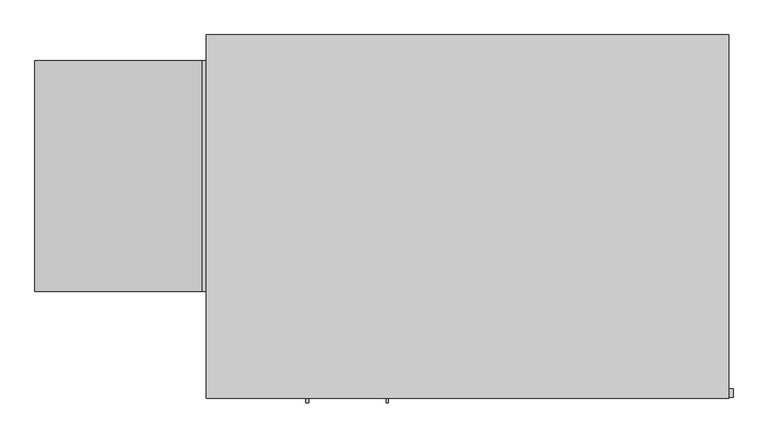
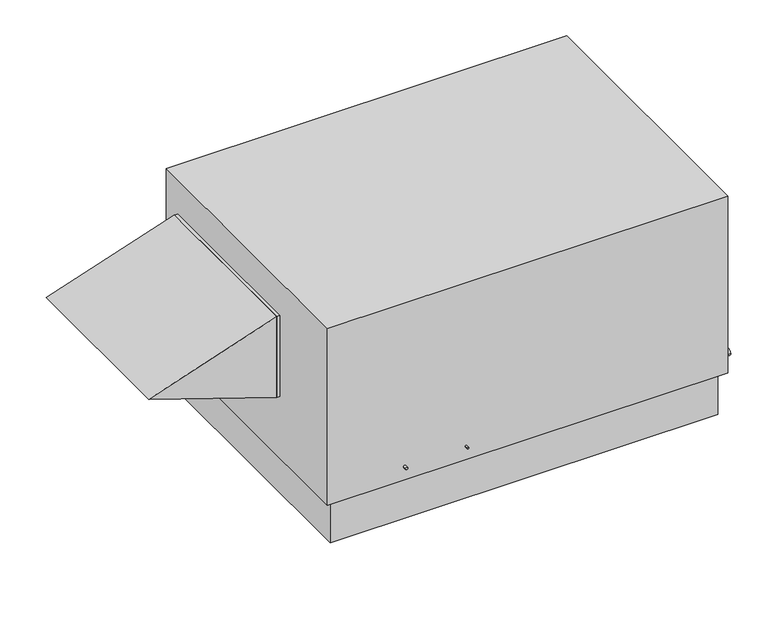
"""IFC4 building model written with IfcOpenShell, lengths in millimetres: proxy geometry."""

import ifcopenshell
import ifcopenshell.guid

model = None  # the IFC model being written
_history = None  # IfcOwnerHistory: only IFC2X3 demands one
_inside = {}  # id of a spatial element -> (the spatial element, [elements in it])
_under = {}  # id of a project, library or spatial element -> (it, [spatial elements below it])
_declared = {}  # id of a project -> (the project, [libraries it declares])
_typed = {}  # id of a type object -> (the type object, [elements of that type])
_made_of = {}  # id of a material, layer set ... -> (it, [elements and type objects made of it])


def new_model(schema):
    """Start an empty IFC model of exactly this schema.

    Asked for "IFC4X3", IfcOpenShell would pick the latest addendum, in which some entities
    have other attributes; the version numbers below select the first issue.
    IFC2X3 requires an IfcOwnerHistory on every rooted entity: one is made here for all.
    """
    global model, _history
    if schema == "IFC4X3":
        model = ifcopenshell.file(schema_version=(4, 3, 0, 0))
    else:
        model = ifcopenshell.file(schema=schema)
    _inside.clear()
    _under.clear()
    _declared.clear()
    _typed.clear()
    _made_of.clear()
    _history = None
    if model.schema == "IFC2X3":
        org = make("IfcOrganization", Name="unknown")
        user = make(
            "IfcPersonAndOrganization",
            ThePerson=make("IfcPerson", FamilyName="unknown"),
            TheOrganization=org,
        )
        app = make(
            "IfcApplication",
            ApplicationDeveloper=org,
            Version="unknown",
            ApplicationFullName="unknown",
            ApplicationIdentifier="unknown",
        )
        _history = make(
            "IfcOwnerHistory",
            OwningUser=user,
            OwningApplication=app,
            ChangeAction="ADDED",
            CreationDate=0,
        )
    return model


def make(cls, **values):
    """One entity of the class cls with the attributes given. An attribute that is None is left unset."""
    return model.create_entity(
        cls, **{name: value for name, value in values.items() if value is not None}
    )


def rooted(cls, **values):
    """An entity with a GlobalId (a new one), such as an element, a storey or a relation."""
    return make(cls, GlobalId=ifcopenshell.guid.new(), OwnerHistory=_history, **values)


def si_unit(unit_type, name, prefix=None):
    """IfcSIUnit, for example si_unit("LENGTHUNIT", "METRE", prefix="MILLI")."""
    return make("IfcSIUnit", UnitType=unit_type, Prefix=prefix, Name=name)


def assignment(units):
    """IfcUnitAssignment: the units of a project."""
    return None if units is None else make("IfcUnitAssignment", Units=units)


def point(xyz):
    """IfcCartesianPoint."""
    return None if xyz is None else make("IfcCartesianPoint", Coordinates=xyz)


def direction(xyz):
    """IfcDirection."""
    return None if xyz is None else make("IfcDirection", DirectionRatios=xyz)


def frame(location, z_axis=None, x_axis=None):
    """IfcAxis2Placement3D, a coordinate frame: its origin and axes. An axis left out is left unset."""
    return make(
        "IfcAxis2Placement3D",
        Location=point(location),
        Axis=direction(z_axis),
        RefDirection=direction(x_axis),
    )


def origin():
    """The frame at (0, 0, 0) with its axes left unset."""
    return frame((0.0, 0.0, 0.0))


def place(relative_to, where):
    """IfcLocalPlacement: puts the frame where relative to a parent placement (None: the world)."""
    return make(
        "IfcLocalPlacement", PlacementRelTo=relative_to, RelativePlacement=where
    )


def context(
    kind, dimensions, precision=None, world=None, true_north=None, identifier=None
):
    """IfcGeometricRepresentationContext, for example the 3D "Model" context."""
    return make(
        "IfcGeometricRepresentationContext",
        ContextIdentifier=identifier,
        ContextType=kind,
        CoordinateSpaceDimension=dimensions,
        Precision=precision,
        WorldCoordinateSystem=world,
        TrueNorth=true_north,
    )


def project(units=None, contexts=None):
    """IfcProject with its units and contexts."""
    return rooted(
        "IfcProject",
        Name="project",
        RepresentationContexts=contexts,
        UnitsInContext=assignment(units),
    )


def spatial(cls, under=None, at=None, **own):
    """A site, building, storey or space (cls), placed at a placement, below another one or the project."""
    s = rooted(cls, ObjectPlacement=at, **own)
    if under is not None:
        _under.setdefault(under.id(), (under, []))[1].append(s)
    return s


def polyline(points):
    """IfcPolyline through the points."""
    return make("IfcPolyline", Points=[point(p) for p in points])


def circle_curve(where, radius):
    """IfcCircle in the frame where."""
    return make("IfcCircle", Position=where, Radius=radius)


def outline(outer, holes=None, kind="AREA"):
    """IfcArbitraryClosedProfileDef: a profile drawn as a closed curve; with holes, ...WithVoids."""
    if holes is None:
        return make("IfcArbitraryClosedProfileDef", ProfileType=kind, OuterCurve=outer)
    return make(
        "IfcArbitraryProfileDefWithVoids",
        ProfileType=kind,
        OuterCurve=outer,
        InnerCurves=holes,
    )


def extrude(swept, where, along, depth):
    """IfcExtrudedAreaSolid: the profile swept, set in the frame where, extruded along a direction by depth."""
    return make(
        "IfcExtrudedAreaSolid",
        SweptArea=swept,
        Position=where,
        ExtrudedDirection=direction(along),
        Depth=depth,
    )


def shape(context_of_items, identifier, shape_type, items):
    """IfcShapeRepresentation: the items that make up one representation, for example the "Body"."""
    return make(
        "IfcShapeRepresentation",
        ContextOfItems=context_of_items,
        RepresentationIdentifier=identifier,
        RepresentationType=shape_type,
        Items=items,
    )


def source(mapping_origin, context_of_items, identifier, shape_type, items):
    """IfcRepresentationMap: a shape defined once, which mapped items show again and again."""
    return make(
        "IfcRepresentationMap",
        MappingOrigin=mapping_origin,
        MappedRepresentation=shape(context_of_items, identifier, shape_type, items),
    )


def transform(
    local_origin,
    x_axis=None,
    y_axis=None,
    z_axis=None,
    scale=None,
    scale2=None,
    scale3=None,
    uniform=True,
):
    """IfcCartesianTransformationOperator3D, or its non-uniform kind. x_axis, y_axis, z_axis: its Axis1, 2, 3."""
    if uniform:
        return make(
            "IfcCartesianTransformationOperator3D",
            Axis1=direction(x_axis),
            Axis2=direction(y_axis),
            LocalOrigin=point(local_origin),
            Scale=scale,
            Axis3=direction(z_axis),
        )
    return make(
        "IfcCartesianTransformationOperator3DnonUniform",
        Axis1=direction(x_axis),
        Axis2=direction(y_axis),
        LocalOrigin=point(local_origin),
        Scale=scale,
        Axis3=direction(z_axis),
        Scale2=scale2,
        Scale3=scale3,
    )


def mapped(mapping_source, mapping_target):
    """IfcMappedItem: shows the shape of a source again, moved by a transform."""
    return make(
        "IfcMappedItem", MappingSource=mapping_source, MappingTarget=mapping_target
    )


def made_of(thing, what):
    """Note that an element or type object is made of a material, layer set ...; save() writes the relation."""
    if what is not None:
        _made_of.setdefault(what.id(), (what, []))[1].append(thing)
    return thing


def element(
    cls,
    number,
    at=None,
    inside=None,
    cuts=None,
    type_object=None,
    material=None,
    context=None,
    identifier="Body",
    shape_type=None,
    held_by="IfcProductDefinitionShape",
    body=None,
    shapes=None,
    **own,
):
    """One element of the class cls, such as IfcWall. Its Tag is "e" and its number.

    at: its placement. inside: the storey or other place that contains it. cuts: it is an
    opening in that element (IfcRelVoidsElement). A single representation is given by context,
    identifier, shape_type and body (its items); several are given by shapes. held_by: the class
    of the entity that holds the representations. save() writes the other relations.
    """
    e = rooted(cls, Tag="e%d" % number, ObjectPlacement=at, **own)
    if body is not None:
        shapes = [shape(context, identifier, shape_type, body)]
    if shapes is not None:
        e.Representation = make(held_by, Representations=shapes)
    if inside is not None:
        _inside.setdefault(inside.id(), (inside, []))[1].append(e)
    if cuts is not None:
        rooted(
            "IfcRelVoidsElement", RelatingBuildingElement=cuts, RelatedOpeningElement=e
        )
    if type_object is not None:
        _typed.setdefault(type_object.id(), (type_object, []))[1].append(e)
    return made_of(e, material)


def aggregate(whole, parts):
    """IfcRelAggregates: a whole, such as a stair, and the parts it consists of."""
    return rooted("IfcRelAggregates", RelatingObject=whole, RelatedObjects=parts)


def save(model, path):
    """Write the relations noted so far, then the file.

    IfcRelAggregates (storeys below a building ...), IfcRelContainedInSpatialStructure (elements
    in a storey), IfcRelDefinesByType, IfcRelAssociatesMaterial and IfcRelDeclares: one each for
    every whole, place, type object, material and project.
    """
    for whole, parts in _under.values():
        aggregate(whole, parts)
    for where, things in _inside.values():
        rooted(
            "IfcRelContainedInSpatialStructure",
            RelatedElements=things,
            RelatingStructure=where,
        )
    for kind, things in _typed.values():
        rooted("IfcRelDefinesByType", RelatedObjects=things, RelatingType=kind)
    for what, things in _made_of.values():
        rooted("IfcRelAssociatesMaterial", RelatedObjects=things, RelatingMaterial=what)
    for by, libraries in _declared.values():
        rooted("IfcRelDeclares", RelatingContext=by, RelatedDefinitions=libraries)
    model.write(path)


def plane_surface(at):
    """IfcPlane: the flat surface through the origin of the frame at, square to its z axis."""
    return make("IfcPlane", Position=at)


def cylinder_surface(at, radius):
    """IfcCylindricalSurface: all points at the distance radius from the z axis of the frame at."""
    return make("IfcCylindricalSurface", Position=at, Radius=radius)


def advanced_brep(points, edges, surfaces, faces):
    """IfcAdvancedBrep: a solid bounded by faces that lie on surfaces and meet in shared edges.

    An edge is (start, end): straight between two places in points (the first is 0);
    or (start, end, curve); or (start, end, curve, False) where it runs against its curve.
    A face is (place in surfaces, loops), or (place, loops, False) where it looks against
    its surface's normal. A loop lists edges by number (the first is 1), with a minus sign
    where the edge is run from its end to its start. The first loop is the outer one.
    """
    corners = [point(p) for p in points]
    vertices = [make("IfcVertexPoint", VertexGeometry=c) for c in corners]
    made = []
    for start, end, *more in edges:
        made.append(
            make(
                "IfcEdgeCurve",
                EdgeStart=vertices[start],
                EdgeEnd=vertices[end],
                EdgeGeometry=more[0] if more else make("IfcPolyline", Points=[corners[start], corners[end]]),
                SameSense=more[1] if len(more) > 1 else True,
            )
        )
    hull = []
    for where, loops, *sense in faces:
        bounds = []
        for j, loop in enumerate(loops):
            ring = [make("IfcOrientedEdge", EdgeElement=made[abs(k) - 1], Orientation=k > 0) for k in loop]
            bounds.append(
                make(
                    "IfcFaceOuterBound" if j == 0 else "IfcFaceBound",
                    Bound=make("IfcEdgeLoop", EdgeList=ring),
                    Orientation=True,
                )
            )
        hull.append(make("IfcAdvancedFace", Bounds=bounds, FaceSurface=surfaces[where], SameSense=sense[0] if sense else True))
    return make("IfcAdvancedBrep", Outer=make("IfcClosedShell", CfsFaces=hull))


def mechanical_equipment_34facc8f(model_context):
    return source(origin(), model_context, "Body", "SolidModel", [
        extrude(outline(polyline([(508.0, -3124.2), (1168.4, -3124.2), (838.2, -4114.8), (508.0, -3124.2)])), frame((0.0, 635.0, 0.0), z_axis=(0.0, 1.0, 0.0), x_axis=(0.0, 0.0, 1.0)), (0.0, 0.0, 1.0), 1371.6),
        extrude(outline(polyline([(-3124.2, 635.0), (-3124.2, 2006.6), (-3098.8, 2006.6), (-3098.8, 635.0), (-3124.2, 635.0)])), frame((0.0, 0.0, 508.0), z_axis=(0.0, 0.0, 1.0), x_axis=(1.0, 0.0, 0.0)), (0.0, 0.0, 1.0), 660.4),
        extrude(outline(polyline([(-50.8, 2108.2), (-50.8, 50.8), (-3048.0, 50.8), (-3048.0, 2108.2), (-50.8, 2108.2)])), frame((0.0, 0.0, -355.6), z_axis=(0.0, 0.0, 1.0), x_axis=(1.0, 0.0, 0.0)), (0.0, 0.0, 1.0), 355.6),
        advanced_brep(
        [(0.0, 2159.0, 1447.8), (-3098.8, 2159.0, 1447.8), (-3098.8, 0.0, 1447.8), (0.0, 0.0, 1447.8), (0.0, 2159.0, 0.0), (0.0, 0.0, 0.0), (-3098.8, 0.0, 0.0), (-3098.8, 2159.0, 0.0), (-2438.4, 2057.4, 0.0), (-2997.2, 2057.4, 0.0), (-2997.2, 76.2, 0.0), (-2438.4, 76.2, 0.0), (-1041.4, 2057.4, 0.0), (-1752.6, 2057.4, 0.0), (-1752.6, 279.4, 0.0), (-1041.4, 279.4, 0.0), (-2019.3, 0.0, 107.95), (-2032.0, 0.0, 107.95), (-2490.7875, 0.0, 107.95), (-2509.8375, 0.0, 107.95), (0.0, 58.7375, 142.875), (0.0, 7.9375, 142.875), (-2438.4, 2057.4, 107.95), (-2438.4, 76.2, 107.95), (-2997.2, 76.2, 107.95), (-2997.2, 2057.4, 107.95), (-1041.4, 2057.4, 107.95), (-1041.4, 279.4, 107.95), (-1752.6, 279.4, 107.95), (-1752.6, 2057.4, 107.95), (-2032.0, -25.5724411, 107.95), (-2019.3, -25.5724411, 107.95), (25.4, 7.9375, 142.875), (25.4, 58.7375, 142.875), (-2509.8375, -25.5724411, 107.95), (-2490.7875, -25.5724411, 107.95)],
        [
            (0, 1),
            (1, 2),
            (2, 3),
            (3, 0),
            (4, 5),
            (5, 6),
            (6, 7),
            (7, 4),
            (8, 9),
            (9, 10),
            (10, 11),
            (11, 8),
            (12, 13),
            (13, 14),
            (14, 15),
            (15, 12),
            (0, 4),
            (7, 1),
            (6, 2),
            (5, 3),
            (16, 17, circle_curve(frame((-2025.65, 0.0, 107.95), z_axis=(0.0, 1.0, 0.0), x_axis=(1.0, 0.0, 0.0)), 6.35)),
            (17, 16, circle_curve(frame((-2025.65, 0.0, 107.95), z_axis=(0.0, 1.0, 0.0), x_axis=(1.0, 0.0, 0.0)), 6.35)),
            (18, 19, circle_curve(frame((-2500.3125, 0.0, 107.95), z_axis=(0.0, 1.0, 0.0), x_axis=(1.0, 0.0, 0.0)), 9.525)),
            (19, 18, circle_curve(frame((-2500.3125, 0.0, 107.95), z_axis=(0.0, 1.0, 0.0), x_axis=(1.0, 0.0, 0.0)), 9.525)),
            (20, 21, circle_curve(frame((0.0, 33.3375, 142.875), z_axis=(-1.0, 0.0, 0.0), x_axis=(0.0, 1.0, 0.0)), 25.4)),
            (21, 20, circle_curve(frame((0.0, 33.3375, 142.875), z_axis=(-1.0, 0.0, 0.0), x_axis=(0.0, 1.0, 0.0)), 25.4)),
            (22, 23),
            (23, 24),
            (24, 25),
            (25, 22),
            (26, 27),
            (27, 28),
            (28, 29),
            (29, 26),
            (25, 9),
            (8, 22),
            (24, 10),
            (23, 11),
            (29, 13),
            (12, 26),
            (28, 14),
            (27, 15),
            (30, 31, circle_curve(frame((-2025.65, -25.5724411, 107.95), z_axis=(0.0, -1.0, 0.0), x_axis=(1.0, 0.0, 0.0)), 6.35)),
            (31, 30, circle_curve(frame((-2025.65, -25.5724411, 107.95), z_axis=(0.0, -1.0, 0.0), x_axis=(1.0, 0.0, 0.0)), 6.35)),
            (30, 17),
            (16, 31),
            (32, 33, circle_curve(frame((25.4, 33.3375, 142.875), z_axis=(1.0, 0.0, 0.0), x_axis=(0.0, 1.0, 0.0)), 25.4)),
            (33, 32, circle_curve(frame((25.4, 33.3375, 142.875), z_axis=(1.0, 0.0, 0.0), x_axis=(0.0, 1.0, 0.0)), 25.4)),
            (32, 21),
            (20, 33),
            (34, 35, circle_curve(frame((-2500.3125, -25.5724411, 107.95), z_axis=(0.0, -1.0, 0.0), x_axis=(1.0, 0.0, 0.0)), 9.525)),
            (35, 34, circle_curve(frame((-2500.3125, -25.5724411, 107.95), z_axis=(0.0, -1.0, 0.0), x_axis=(1.0, 0.0, 0.0)), 9.525)),
            (34, 19),
            (18, 35),
        ],
        [
            plane_surface(frame((-3098.8, 2159.0, 1447.8), z_axis=(0.0, 0.0, 1.0), x_axis=(-1.0, 0.0, 0.0))),
            plane_surface(frame((-3098.8, 2159.0, 0.0), z_axis=(0.0, 0.0, -1.0), x_axis=(1.0, 0.0, 0.0))),
            plane_surface(frame((0.0, 2159.0, 1447.8), z_axis=(0.0, 1.0, 0.0), x_axis=(0.0, 0.0, -1.0))),
            plane_surface(frame((-3098.8, 2159.0, 1447.8), z_axis=(-1.0, 0.0, 0.0), x_axis=(0.0, 0.0, -1.0))),
            plane_surface(frame((-3098.8, 0.0, 1447.8), z_axis=(0.0, -1.0, 0.0), x_axis=(0.0, 0.0, -1.0))),
            plane_surface(frame((0.0, 0.0, 1447.8), z_axis=(1.0, 0.0, 0.0), x_axis=(0.0, 0.0, -1.0))),
            plane_surface(frame((-2997.2, 2057.4, 107.95), z_axis=(0.0, 0.0, -1.0), x_axis=(-1.0, 0.0, 0.0))),
            plane_surface(frame((-2438.4, 2057.4, 107.95), z_axis=(0.0, -1.0, 0.0), x_axis=(0.0, 0.0, -1.0))),
            plane_surface(frame((-2997.2, 2057.4, 107.95), z_axis=(1.0, 0.0, 0.0), x_axis=(0.0, 0.0, -1.0))),
            plane_surface(frame((-2997.2, 76.2, 107.95), z_axis=(0.0, 1.0, 0.0), x_axis=(0.0, 0.0, -1.0))),
            plane_surface(frame((-2438.4, 76.2, 107.95), z_axis=(-1.0, 0.0, 0.0), x_axis=(0.0, 0.0, -1.0))),
            plane_surface(frame((-1041.4, 2057.4, 107.95), z_axis=(0.0, -1.0, 0.0), x_axis=(0.0, 0.0, -1.0))),
            plane_surface(frame((-1752.6, 2057.4, 107.95), z_axis=(1.0, 0.0, 0.0), x_axis=(0.0, 0.0, -1.0))),
            plane_surface(frame((-1752.6, 279.4, 107.95), z_axis=(0.0, 1.0, 0.0), x_axis=(0.0, 0.0, -1.0))),
            plane_surface(frame((-1041.4, 279.4, 107.95), z_axis=(-1.0, 0.0, 0.0), x_axis=(0.0, 0.0, -1.0))),
            plane_surface(frame((-2019.3, -25.5724411, 107.95), z_axis=(0.0, -1.0, 0.0), x_axis=(0.0, 0.0, 1.0))),
            cylinder_surface(frame((-2025.65, 0.0, 107.95), z_axis=(0.0, -1.0, 0.0), x_axis=(1.0, 0.0, 0.0)), 6.35),
            plane_surface(frame((25.4, 58.7375, 142.875), z_axis=(1.0, 0.0, 0.0), x_axis=(0.0, 0.0, 1.0))),
            cylinder_surface(frame((0.0, 33.3375, 142.875), z_axis=(1.0, 0.0, 0.0), x_axis=(0.0, 1.0, 0.0)), 25.4),
            plane_surface(frame((-2490.7875, -25.5724411, 107.95), z_axis=(0.0, -1.0, 0.0), x_axis=(0.0, 0.0, 1.0))),
            cylinder_surface(frame((-2500.3125, 0.0, 107.95), z_axis=(0.0, -1.0, 0.0), x_axis=(1.0, 0.0, 0.0)), 9.525),
        ],
        [
            (0, [[1, 2, 3, 4]]),
            (1, [[5, 6, 7, 8], [9, 10, 11, 12], [13, 14, 15, 16]]),
            (2, [[-1, 17, -8, 18]]),
            (3, [[-2, -18, -7, 19]]),
            (4, [[-3, -19, -6, 20], [21, 22], [23, 24]]),
            (5, [[-4, -20, -5, -17], [25, 26]]),
            (6, [[27, 28, 29, 30]]),
            (6, [[31, 32, 33, 34]]),
            (7, [[-30, 35, -9, 36]]),
            (8, [[-29, 37, -10, -35]]),
            (9, [[-28, 38, -11, -37]]),
            (10, [[-27, -36, -12, -38]]),
            (11, [[-34, 39, -13, 40]]),
            (12, [[-33, 41, -14, -39]]),
            (13, [[-32, 42, -15, -41]]),
            (14, [[-31, -40, -16, -42]]),
            (15, [[43, 44]]),
            (16, [[-43, 45, -21, 46]]),
            (16, [[-44, -46, -22, -45]]),
            (17, [[47, 48]]),
            (18, [[-47, 49, -25, 50]]),
            (18, [[-48, -50, -26, -49]]),
            (19, [[51, 52]]),
            (20, [[-51, 53, -23, 54]]),
            (20, [[-52, -54, -24, -53]]),
        ],
    ),
    ])


if __name__ == "__main__":
    model = new_model("IFC4")
    model_context = context("Model", 3, world=origin())
    ifc_project = project(units=[si_unit("LENGTHUNIT", "METRE", prefix="MILLI")], contexts=[model_context])
    site = spatial("IfcSite", under=ifc_project)
    building = spatial("IfcBuilding", under=site)
    placement = place(None, origin())
    mechanical_equipment_shape = mechanical_equipment_34facc8f(model_context)
    element("IfcBuildingElementProxy", 1, Name="Mechanical Equipment", at=placement, inside=building, context=model_context, shape_type="MappedRepresentation", body=[
        mapped(mechanical_equipment_shape, transform((0.0, 0.0, 0.0), x_axis=(1.0, 0.0, 0.0), y_axis=(0.0, 1.0, 0.0), z_axis=(0.0, 0.0, 1.0))),
    ])
    save(model, "model.ifc")
